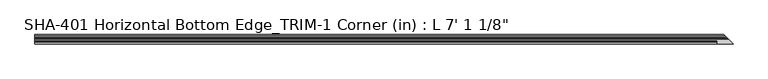
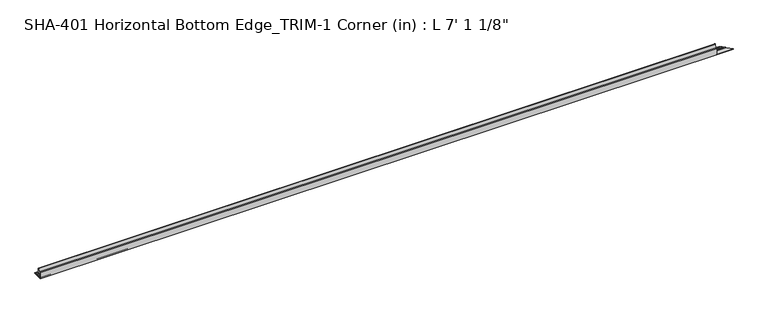
"""IFC4 building model written with IfcOpenShell, lengths in millimetres: proxy geometry."""

from ifc_helpers import new_model, si_unit, frame, origin, place, context, project, spatial, polyline, circle_curve, ellipse_curve, source, transform, mapped, element, save
from ifc_brep_helpers import plane_surface, cylinder_surface, revolved_surface, advanced_brep


def proxy_1c7a0609(model_context):
    return source(origin(), model_context, "Body", "AdvancedBrep", [
        advanced_brep(
        [(-2162.175, 7.2036308, 29.6006869), (-2162.175, 9.525, 29.5346031), (-2162.175, 9.525, 17.1196), (-2162.175, 3.81, 17.1196), (-2162.175, 1.905, 15.2146), (-2162.175, 1.905, 3.81), (-2162.175, 3.81, 1.905), (-2162.175, 13.9230434, 1.905), (-2162.175, 17.018, 1.5748), (-2162.175, 21.5549919, 1.5748), (-2162.175, 24.7045919, 1.5748), (-2162.175, 28.575, 1.5748), (-2162.175, 28.575, 0.0), (-2162.175, 13.8696178, 0.0), (-2162.175, 0.0, 0.0), (-2162.175, 0.0, 19.0246), (-2162.175, 5.392657, 19.0246), (-50.8, 7.2036308, 29.6006869), (-50.8, 9.525, 29.5346031), (-50.8, 9.525, 17.1196), (-50.8, 3.81, 17.1196), (-50.8, 1.905, 15.2146), (-50.8, 1.905, 3.81), (-50.8, 3.81, 1.905), (-50.8, 0.0, 1.905), (0.0, 0.0, 1.905), (-13.9230434, 13.9230434, 1.905), (-17.018, 17.018, 1.5748), (-21.5549919, 21.5549919, 1.5748), (-24.7045919, 24.7045919, 1.5748), (-28.575, 28.575, 1.5748), (-28.575, 28.575, 0.0), (-13.8696178, 13.8696178, 0.0), (0.0, 0.0, 0.0), (-50.8, 0.0, 19.0246), (-50.8, 5.392657, 19.0246)],
        [
            (0, 1, circle_curve(frame((-2162.175, 8.3323235, 28.4438454), z_axis=(-1.0, 0.0, 0.0), x_axis=(0.0, -1.0, 0.0)), 1.6162393)),
            (1, 2),
            (2, 3),
            (3, 4, circle_curve(frame((-2162.175, 3.81, 15.2146), z_axis=(1.0, 0.0, 0.0), x_axis=(0.0, -1.0, 0.0)), 1.905)),
            (4, 5),
            (5, 6, circle_curve(frame((-2162.175, 3.81, 3.81), z_axis=(1.0, 0.0, 0.0), x_axis=(0.0, -1.0, 0.0)), 1.905)),
            (6, 7),
            (7, 8, circle_curve(frame((-2162.175, 15.4432, 1.4838146), z_axis=(-1.0, 0.0, 0.0), x_axis=(0.0, -1.0, 0.0)), 1.5774262)),
            (8, 9),
            (9, 10, circle_curve(frame((-2162.175, 23.1297919, 1.5748), z_axis=(-1.0, 0.0, 0.0), x_axis=(0.0, -1.0, 0.0)), 1.5748)),
            (10, 11),
            (11, 12),
            (12, 13),
            (13, 14),
            (14, 15),
            (15, 16),
            (16, 0),
            (0, 17),
            (17, 18, circle_curve(frame((-50.8, 8.3323235, 28.4438454), z_axis=(-1.0, 0.0, 0.0), x_axis=(0.0, -1.0, 0.0)), 1.6162393)),
            (18, 1),
            (18, 19),
            (19, 2),
            (19, 20),
            (20, 3),
            (20, 21, circle_curve(frame((-50.8, 3.81, 15.2146), z_axis=(1.0, 0.0, 0.0), x_axis=(0.0, -1.0, 0.0)), 1.905)),
            (21, 4),
            (21, 22),
            (22, 5),
            (22, 23, circle_curve(frame((-50.8, 3.81, 3.81), z_axis=(1.0, 0.0, 0.0), x_axis=(0.0, -1.0, 0.0)), 1.905)),
            (23, 6),
            (23, 24),
            (24, 25),
            (25, 26),
            (26, 7),
            (26, 27, ellipse_curve(frame((-15.4432, 15.4432, 1.4838146), z_axis=(-0.7071067811865471, -0.707106781186548, 0.0), x_axis=(0.7071067811865478, -0.7071067811865471, 0.0)), 2.2308175, 1.5774262)),
            (27, 8),
            (27, 28),
            (28, 9),
            (28, 29, ellipse_curve(frame((-23.1297919, 23.1297919, 1.5748), z_axis=(-0.7071067811865471, -0.707106781186548, 0.0), x_axis=(0.7071067811865478, -0.7071067811865471, 0.0)), 2.2271035, 1.5748)),
            (29, 10),
            (29, 30),
            (30, 11),
            (30, 31),
            (31, 12),
            (31, 32),
            (32, 13),
            (32, 33),
            (33, 14),
            (33, 25),
            (24, 34),
            (34, 15),
            (34, 35),
            (35, 16),
            (35, 17),
        ],
        [
            plane_surface(frame((-2162.175, 6.7160842, 28.4438454), z_axis=(-1.0, 0.0, 0.0), x_axis=(0.0, 0.0, -1.0))),
            cylinder_surface(frame((-2162.175, 8.3323235, 28.4438454), z_axis=(1.0, 0.0, 0.0), x_axis=(0.0, -1.0, 0.0)), 1.6162393),
            plane_surface(frame((0.0, 9.525, 29.5346031), z_axis=(0.0, 1.0, 0.0), x_axis=(-1.0, 0.0, 0.0))),
            plane_surface(frame((0.0, 9.525, 17.1196), z_axis=(0.0, 0.0, -1.0), x_axis=(-1.0, 0.0, 0.0))),
            revolved_surface(polyline([(-2162.175, 1.905, 15.2146), (-50.80000000000018, 1.905, 15.2146)]), (-2162.175, 3.81, 15.2146), (-1.0, 0.0, 0.0)),
            plane_surface(frame((0.0, 1.905, 15.2146), z_axis=(0.0, 1.0, 0.0), x_axis=(-1.0, 0.0, 0.0))),
            revolved_surface(polyline([(-2162.175, 1.905, 3.81), (-50.80000000000018, 1.905, 3.81)]), (-2162.175, 3.81, 3.81), (-1.0, 0.0, 0.0)),
            plane_surface(frame((0.0, 3.81, 1.905), z_axis=(0.0, 0.0, 1.0), x_axis=(-1.0, 0.0, 0.0))),
            cylinder_surface(frame((-2162.175, 15.4432, 1.4838146), z_axis=(1.0, 0.0, 0.0), x_axis=(0.0, -1.0, 0.0)), 1.5774262),
            plane_surface(frame((0.0, 17.018, 1.5748), z_axis=(0.0, 0.0, 1.0), x_axis=(-1.0, 0.0, 0.0))),
            cylinder_surface(frame((-2162.175, 23.1297919, 1.5748), z_axis=(1.0, 0.0, 0.0), x_axis=(0.0, -1.0, 0.0)), 1.5748),
            plane_surface(frame((0.0, 24.7045919, 1.5748), z_axis=(0.0, 0.0, 1.0), x_axis=(-1.0, 0.0, 0.0))),
            plane_surface(frame((0.0, 28.575, 1.5748), z_axis=(0.0, 1.0, 0.0), x_axis=(-1.0, 0.0, 0.0))),
            plane_surface(frame((0.0, 28.575, 0.0), z_axis=(0.0, 0.0, -1.0), x_axis=(-1.0, 0.0, 0.0))),
            plane_surface(frame((0.0, 13.8696178, 0.0), z_axis=(0.0, 0.0, -1.0), x_axis=(-1.0, 0.0, 0.0))),
            plane_surface(frame((0.0, 0.0, 0.0), z_axis=(0.0, -1.0, 0.0), x_axis=(-1.0, 0.0, 0.0))),
            plane_surface(frame((0.0, 0.0, 19.0246), z_axis=(0.0, 0.0, 1.0), x_axis=(-1.0, 0.0, 0.0))),
            plane_surface(frame((0.0, 5.392657, 19.0246), z_axis=(0.0, -0.985654359399156, 0.1687764314039123), x_axis=(-1.0, 0.0, 0.0))),
            plane_surface(frame((-50.8, 9.525, 30.1944839), z_axis=(1.0, 0.0, 0.0), x_axis=(0.0, -1.0, 0.0))),
            plane_surface(frame((0.0, 0.0, 31.3303492), z_axis=(0.7071067811865471, 0.707106781186548, 0.0), x_axis=(0.0, 0.0, -1.0))),
        ],
        [
            (0, [[1, 2, 3, 4, 5, 6, 7, 8, 9, 10, 11, 12, 13, 14, 15, 16, 17]]),
            (1, [[18, 19, 20, -1]]),
            (2, [[-20, 21, 22, -2]]),
            (3, [[-22, 23, 24, -3]]),
            (4, [[-24, 25, 26, -4]]),
            (5, [[-26, 27, 28, -5]]),
            (6, [[-28, 29, 30, -6]]),
            (7, [[-30, 31, 32, 33, 34, -7]]),
            (8, [[-34, 35, 36, -8]]),
            (9, [[-36, 37, 38, -9]]),
            (10, [[-38, 39, 40, -10]]),
            (11, [[-40, 41, 42, -11]]),
            (12, [[-42, 43, 44, -12]]),
            (13, [[-44, 45, 46, -13]]),
            (14, [[-46, 47, 48, -14]]),
            (15, [[-48, 49, -32, 50, 51, -15]]),
            (16, [[-51, 52, 53, -16]]),
            (17, [[-53, 54, -18, -17]]),
            (18, [[-29, -27, -25, -23, -21, -19, -54, -52, -50, -31]]),
            (19, [[-49, -47, -45, -43, -41, -39, -37, -35, -33]]),
        ],
    ),
    ])


if __name__ == "__main__":
    model = new_model("IFC4")
    model_context = context("Model", 3, world=origin())
    ifc_project = project(units=[si_unit("LENGTHUNIT", "METRE", prefix="MILLI")], contexts=[model_context])
    site = spatial("IfcSite", under=ifc_project)
    building = spatial("IfcBuilding", under=site)
    placement = place(None, origin())
    proxy_shape = proxy_1c7a0609(model_context)
    element("IfcBuildingElementProxy", 1, Name="SHA-401 Horizontal Bottom Edge_TRIM-1 Corner (in) : L 7' 1 1/8\"", ObjectType="SHA-401 Horizontal Bottom Edge_TRIM-1 Corner (in) : L 7' 1 1/8\"", at=placement, inside=building, context=model_context, shape_type="MappedRepresentation", body=[
        mapped(proxy_shape, transform((0.0, 0.0, 0.0), x_axis=(1.0, 0.0, 0.0), y_axis=(0.0, 1.0, 0.0), z_axis=(0.0, 0.0, 1.0))),
    ])
    save(model, "model.ifc")
